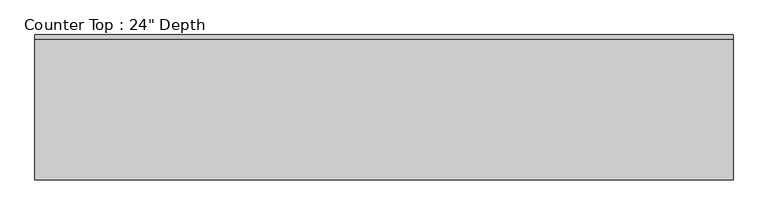
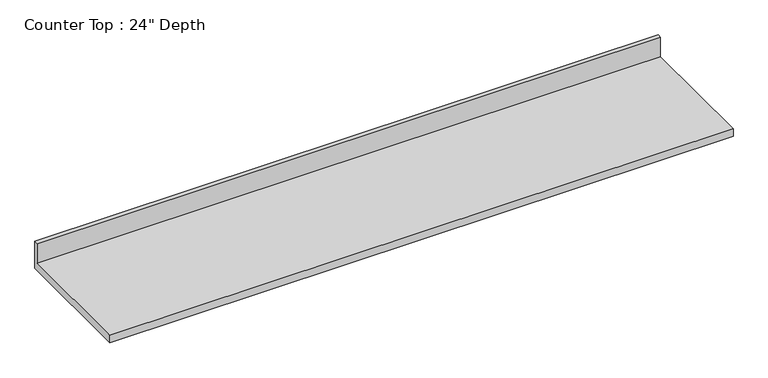
"""IFC4 building model written with IfcOpenShell, lengths in millimetres: furniture geometry."""

from ifc_helpers import new_model, si_unit, frame, origin, place, context, project, spatial, polyline, outline, extrude, source, transform, mapped, element, save


def furniture_e0af0193(model_context):
    return source(origin(), model_context, "Body", "SweptSolid", [
        extrude(outline(polyline([(0.0, 1016.0), (0.0, 876.3), (-635.0, 876.3), (-635.0, 914.4), (-19.05, 914.4), (-19.05, 1016.0), (0.0, 1016.0)])), frame((-1200.4622951, 0.0, 0.0), z_axis=(1.0, 0.0, 0.0), x_axis=(0.0, 1.0, 0.0)), (0.0, 0.0, 1.0), 3051.5090234),
    ])


if __name__ == "__main__":
    model = new_model("IFC4")
    model_context = context("Model", 3, world=origin())
    ifc_project = project(units=[si_unit("LENGTHUNIT", "METRE", prefix="MILLI")], contexts=[model_context])
    site = spatial("IfcSite", under=ifc_project)
    building = spatial("IfcBuilding", under=site)
    placement = place(None, origin())
    furniture_shape = furniture_e0af0193(model_context)
    element("IfcFurniture", 1, ObjectType="Counter Top : 24\" Depth", at=placement, inside=building, context=model_context, shape_type="MappedRepresentation", body=[
        mapped(furniture_shape, transform((0.0, 0.0, 0.0), x_axis=(1.0, 0.0, 0.0), y_axis=(0.0, 1.0, 0.0), z_axis=(0.0, 0.0, 1.0))),
    ])
    save(model, "model.ifc")
